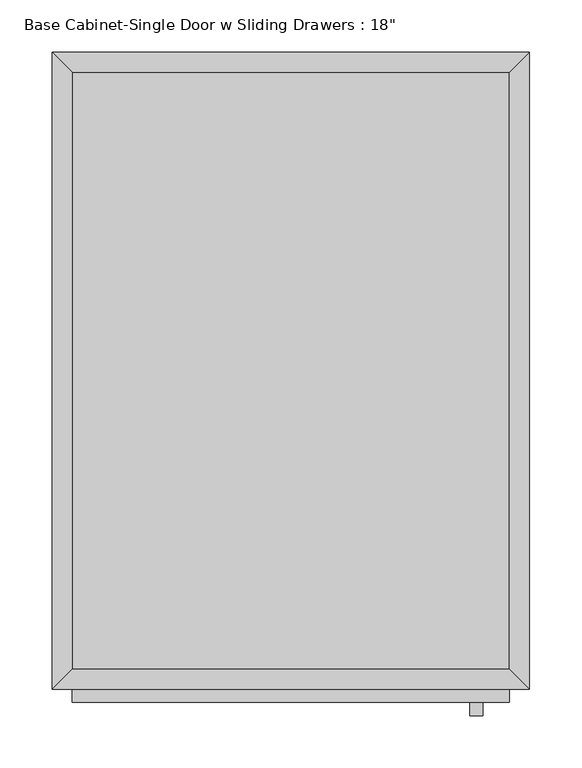
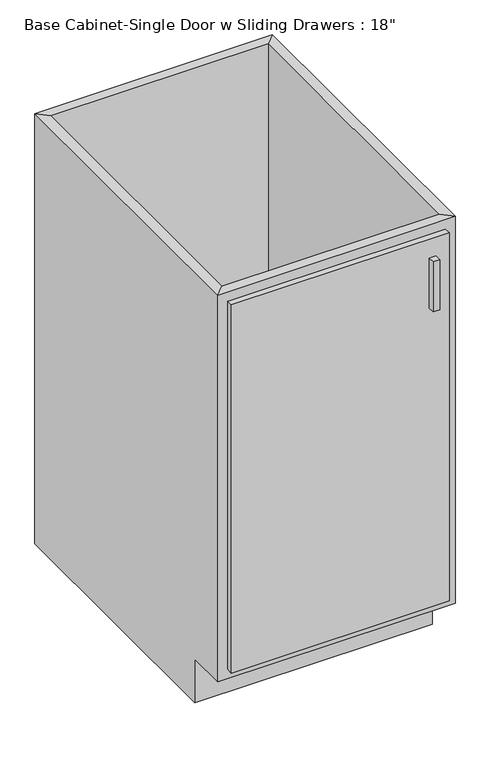
"""IFC4 building model written with IfcOpenShell, lengths in millimetres: furniture geometry."""

from ifc_helpers import new_model, si_unit, frame, origin, place, context, project, spatial, polyline, outline, extrude, faceted_brep, source, transform, mapped, element, save


def furniture_903913c9(model_context):
    return source(origin(), model_context, "Body", "SolidModel", [
        faceted_brep([(228.2877049, -590.55, 876.3), (228.2877049, -590.55, 88.9), (-190.8122951, -590.55, 88.9), (-190.8122951, -590.55, 876.3), (-209.8622951, -609.6, 876.3), (247.3377049, -609.6, 876.3), (-209.8622951, -609.6, 88.9), (247.3377049, -609.6, 88.9), (-190.8122951, -533.4, 88.9), (-190.8122951, -19.05, 88.9), (-190.8122951, -19.05, 876.3), (-209.8622951, 0.0, 876.3), (-209.8622951, 0.0, 0.0), (-209.8622951, -533.4, 0.0), (-209.8622951, -533.4, 88.9), (228.2877049, -19.05, 88.9), (228.2877049, -19.05, 876.3), (247.3377049, 0.0, 876.3), (247.3377049, 0.0, 0.0), (228.2877049, -533.4, 88.9), (247.3377049, -533.4, 88.9), (247.3377049, -533.4, 0.0)], [[[0, 1, 2, 3]], [[0, 3, 4, 5]], [[5, 4, 6, 7]], [[2, 1, 7, 6]], [[3, 2, 8, 9, 10]], [[4, 3, 10, 11]], [[6, 4, 11, 12, 13, 14]], [[2, 6, 14, 8]], [[10, 9, 15, 16]], [[11, 10, 16, 17]], [[12, 11, 17, 18]], [[1, 0, 16, 15, 19]], [[0, 5, 17, 16]], [[5, 7, 20, 21, 18, 17]], [[7, 1, 19, 20]], [[8, 19, 15, 9]], [[18, 21, 13, 12]], [[13, 21, 20, 19, 8, 14]]]),
        extrude(outline(polyline([(228.2877049, -19.05), (228.2877049, -590.55), (-190.8122951, -590.55), (-190.8122951, -19.05), (228.2877049, -19.05)])), frame((0.0, 0.0, 88.9), z_axis=(0.0, 0.0, 1.0), x_axis=(1.0, 0.0, 0.0)), (0.0, 0.0, 1.0), 19.05),
        extrude(outline(polyline([(202.8877049, -635.0), (190.1877049, -635.0), (190.1877049, -622.3), (202.8877049, -622.3), (202.8877049, -635.0)])), frame((0.0, 0.0, 717.55), z_axis=(0.0, 0.0, 1.0), x_axis=(1.0, 0.0, 0.0)), (0.0, 0.0, 1.0), 101.6),
        extrude(outline(polyline([(228.2877049, -622.3), (-190.8122951, -622.3), (-190.8122951, -609.6), (228.2877049, -609.6), (228.2877049, -622.3)])), frame((0.0, 0.0, 107.95), z_axis=(0.0, 0.0, 1.0), x_axis=(1.0, 0.0, 0.0)), (0.0, 0.0, 1.0), 749.3),
    ])


if __name__ == "__main__":
    model = new_model("IFC4")
    model_context = context("Model", 3, world=origin())
    ifc_project = project(units=[si_unit("LENGTHUNIT", "METRE", prefix="MILLI")], contexts=[model_context])
    site = spatial("IfcSite", under=ifc_project)
    building = spatial("IfcBuilding", under=site)
    placement = place(None, origin())
    furniture_shape = furniture_903913c9(model_context)
    element("IfcFurniture", 1, ObjectType="Base Cabinet-Single Door w Sliding Drawers : 18\"", at=placement, inside=building, context=model_context, shape_type="MappedRepresentation", body=[
        mapped(furniture_shape, transform((0.0, 0.0, 0.0), x_axis=(1.0, 0.0, 0.0), y_axis=(0.0, 1.0, 0.0), z_axis=(0.0, 0.0, 1.0))),
    ])
    save(model, "model.ifc")
